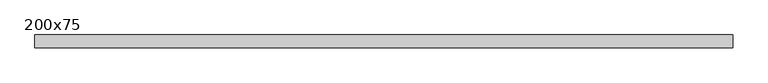
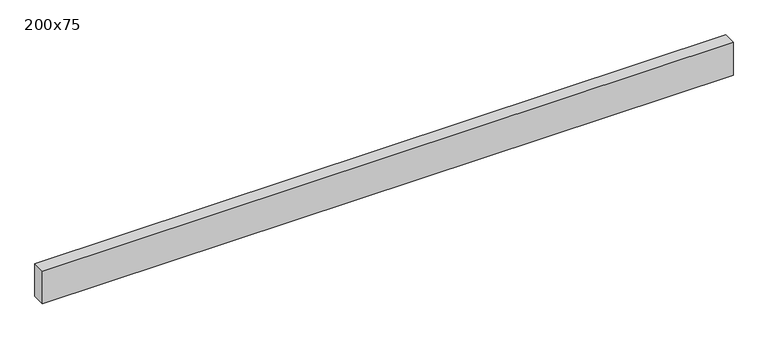
"""IFC4 building model written with IfcOpenShell, lengths in millimetres: beam geometry, 200x75."""

from ifc_helpers import new_model, si_unit, frame, origin, place, context, project, spatial, polyline, outline, extrude, source, transform, mapped, element, save


def beam_200x75_881c2f79(model_context):
    return source(origin(), model_context, "Body", "SweptSolid", [
        extrude(outline(polyline([(2000.0, 37.5), (2000.0, -37.5), (-2000.0, -37.5), (-2000.0, 37.5), (2000.0, 37.5)])), frame((0.0, 0.0, -100.0), z_axis=(0.0, 0.0, 1.0), x_axis=(1.0, 0.0, 0.0)), (0.0, 0.0, 1.0), 200.0),
    ])


if __name__ == "__main__":
    model = new_model("IFC4")
    model_context = context("Model", 3, world=origin())
    ifc_project = project(units=[si_unit("LENGTHUNIT", "METRE", prefix="MILLI")], contexts=[model_context])
    site = spatial("IfcSite", under=ifc_project)
    building = spatial("IfcBuilding", under=site)
    placement = place(None, origin())
    beam_200x75_shape = beam_200x75_881c2f79(model_context)
    element("IfcBeam", 1, ObjectType="200x75", at=placement, inside=building, context=model_context, shape_type="MappedRepresentation", body=[
        mapped(beam_200x75_shape, transform((0.0, 0.0, 0.0), x_axis=(1.0, 0.0, 0.0), y_axis=(0.0, 1.0, 0.0), z_axis=(0.0, 0.0, 1.0))),
    ])
    save(model, "model.ifc")
